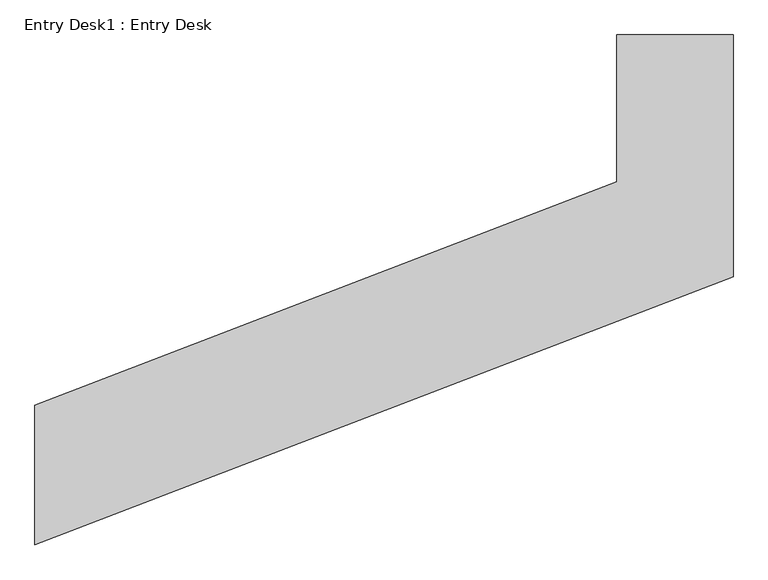
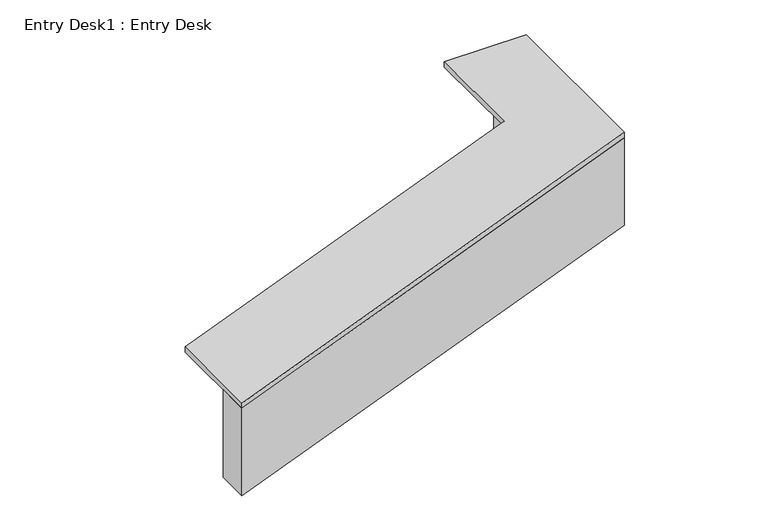
"""IFC4 building model written with IfcOpenShell, lengths in millimetres: furniture geometry, Entry Desk1 : Entry Desk."""

from ifc_helpers import new_model, si_unit, frame, origin, origin_with_axes, place, context, project, spatial, polyline, outline, extrude, source, transform, mapped, element, save


def entry_desk1_entry_desk_47b58405(model_context):
    return source(origin(), model_context, "Body", "SweptSolid", [
        extrude(outline(polyline([(204132.7767543, -328078.0386147), (204132.7767543, -326685.0025454), (204437.5767543, -326685.0025454), (204437.5767543, -328265.8368569), (199857.1074614, -330024.114282), (199857.1074614, -329719.314282), (204132.7767543, -328078.0386147)])), origin_with_axes(), (0.0, 0.0, 1.0), 863.6),
        extrude(outline(polyline([(204437.5767543, -326680.1452339), (204437.5767543, -328265.8368569), (199857.1074614, -330024.114282), (199857.1074614, -329109.714282), (203675.5767543, -327643.9412516), (203675.5767543, -326680.1452339), (204437.5767543, -326680.1452339)])), frame((0.0, 0.0, 863.6), z_axis=(0.0, 0.0, 1.0), x_axis=(1.0, 0.0, 0.0)), (0.0, 0.0, 1.0), 50.8),
    ])


if __name__ == "__main__":
    model = new_model("IFC4")
    model_context = context("Model", 3, world=origin())
    ifc_project = project(units=[si_unit("LENGTHUNIT", "METRE", prefix="MILLI")], contexts=[model_context])
    site = spatial("IfcSite", under=ifc_project)
    building = spatial("IfcBuilding", under=site)
    placement = place(None, origin())
    entry_desk1_entry_desk_shape = entry_desk1_entry_desk_47b58405(model_context)
    element("IfcFurniture", 1, ObjectType="Entry Desk1 : Entry Desk", at=placement, inside=building, context=model_context, shape_type="MappedRepresentation", body=[
        mapped(entry_desk1_entry_desk_shape, transform((0.0, 0.0, 0.0), x_axis=(1.0, 0.0, 0.0), y_axis=(0.0, 1.0, 0.0), z_axis=(0.0, 0.0, 1.0))),
    ])
    save(model, "model.ifc")
